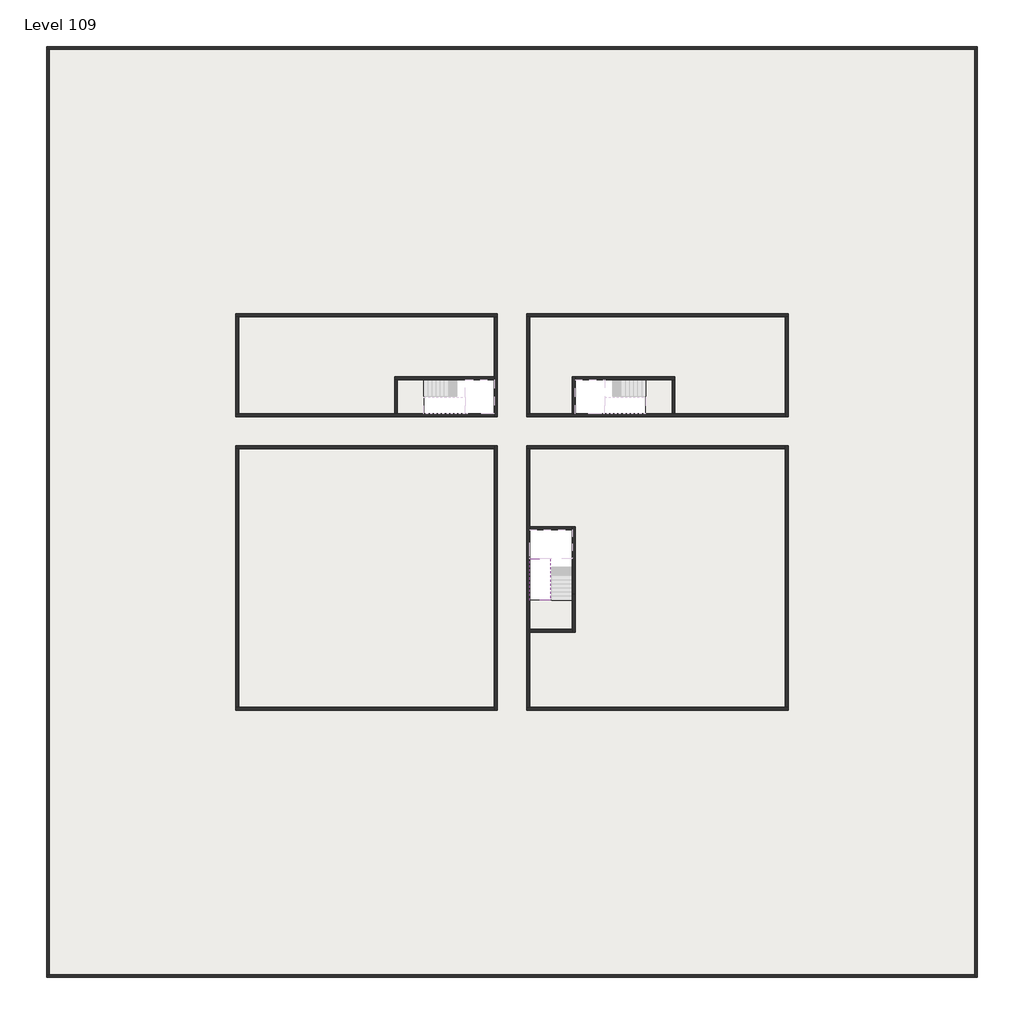
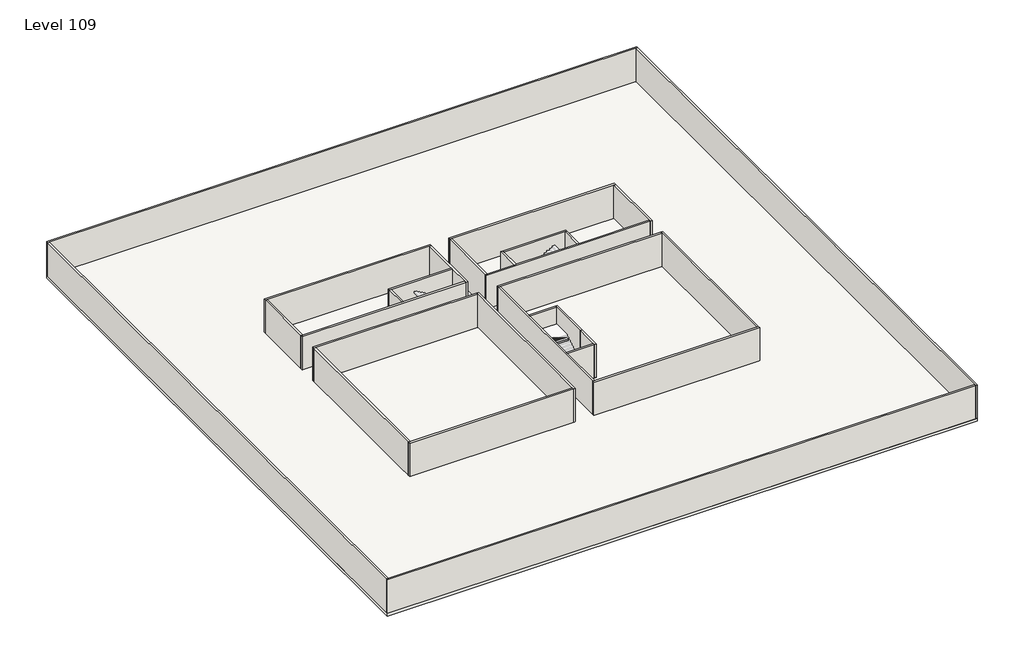
# One storey, part 1 of 2: 29 walls, 2 slabs, 1 stair flight.
"""IFC4 building model written with IfcOpenShell, lengths in millimetres."""

import ifcopenshell
import ifcopenshell.guid

model = None  # the IFC model being written
_history = None  # IfcOwnerHistory: only IFC2X3 demands one
_inside = {}  # id of a spatial element -> (the spatial element, [elements in it])
_under = {}  # id of a project, library or spatial element -> (it, [spatial elements below it])
_declared = {}  # id of a project -> (the project, [libraries it declares])
_typed = {}  # id of a type object -> (the type object, [elements of that type])
_made_of = {}  # id of a material, layer set ... -> (it, [elements and type objects made of it])


def new_model(schema):
    """Start an empty IFC model of exactly this schema.

    Asked for "IFC4X3", IfcOpenShell would pick the latest addendum, in which some entities
    have other attributes; the version numbers below select the first issue.
    IFC2X3 requires an IfcOwnerHistory on every rooted entity: one is made here for all.
    """
    global model, _history
    if schema == "IFC4X3":
        model = ifcopenshell.file(schema_version=(4, 3, 0, 0))
    else:
        model = ifcopenshell.file(schema=schema)
    _inside.clear()
    _under.clear()
    _declared.clear()
    _typed.clear()
    _made_of.clear()
    _history = None
    if model.schema == "IFC2X3":
        org = make("IfcOrganization", Name="unknown")
        user = make(
            "IfcPersonAndOrganization",
            ThePerson=make("IfcPerson", FamilyName="unknown"),
            TheOrganization=org,
        )
        app = make(
            "IfcApplication",
            ApplicationDeveloper=org,
            Version="unknown",
            ApplicationFullName="unknown",
            ApplicationIdentifier="unknown",
        )
        _history = make(
            "IfcOwnerHistory",
            OwningUser=user,
            OwningApplication=app,
            ChangeAction="ADDED",
            CreationDate=0,
        )
    return model


def make(cls, **values):
    """One entity of the class cls with the attributes given. An attribute that is None is left unset."""
    return model.create_entity(
        cls, **{name: value for name, value in values.items() if value is not None}
    )


def rooted(cls, **values):
    """An entity with a GlobalId (a new one), such as an element, a storey or a relation."""
    return make(cls, GlobalId=ifcopenshell.guid.new(), OwnerHistory=_history, **values)


def si_unit(unit_type, name, prefix=None):
    """IfcSIUnit, for example si_unit("LENGTHUNIT", "METRE", prefix="MILLI")."""
    return make("IfcSIUnit", UnitType=unit_type, Prefix=prefix, Name=name)


def assignment(units):
    """IfcUnitAssignment: the units of a project."""
    return None if units is None else make("IfcUnitAssignment", Units=units)


def point(xyz):
    """IfcCartesianPoint."""
    return None if xyz is None else make("IfcCartesianPoint", Coordinates=xyz)


def direction(xyz):
    """IfcDirection."""
    return None if xyz is None else make("IfcDirection", DirectionRatios=xyz)


def frame(location, z_axis=None, x_axis=None):
    """IfcAxis2Placement3D, a coordinate frame: its origin and axes. An axis left out is left unset."""
    return make(
        "IfcAxis2Placement3D",
        Location=point(location),
        Axis=direction(z_axis),
        RefDirection=direction(x_axis),
    )


def origin():
    """The frame at (0, 0, 0) with its axes left unset."""
    return frame((0.0, 0.0, 0.0))


def place(relative_to, where):
    """IfcLocalPlacement: puts the frame where relative to a parent placement (None: the world)."""
    return make(
        "IfcLocalPlacement", PlacementRelTo=relative_to, RelativePlacement=where
    )


def context(
    kind, dimensions, precision=None, world=None, true_north=None, identifier=None
):
    """IfcGeometricRepresentationContext, for example the 3D "Model" context."""
    return make(
        "IfcGeometricRepresentationContext",
        ContextIdentifier=identifier,
        ContextType=kind,
        CoordinateSpaceDimension=dimensions,
        Precision=precision,
        WorldCoordinateSystem=world,
        TrueNorth=true_north,
    )


def project(units=None, contexts=None):
    """IfcProject with its units and contexts."""
    return rooted(
        "IfcProject",
        Name="project",
        RepresentationContexts=contexts,
        UnitsInContext=assignment(units),
    )


def spatial(cls, under=None, at=None, **own):
    """A site, building, storey or space (cls), placed at a placement, below another one or the project."""
    s = rooted(cls, ObjectPlacement=at, **own)
    if under is not None:
        _under.setdefault(under.id(), (under, []))[1].append(s)
    return s


def polyline(points):
    """IfcPolyline through the points."""
    return make("IfcPolyline", Points=[point(p) for p in points])


def outline(outer, holes=None, kind="AREA"):
    """IfcArbitraryClosedProfileDef: a profile drawn as a closed curve; with holes, ...WithVoids."""
    if holes is None:
        return make("IfcArbitraryClosedProfileDef", ProfileType=kind, OuterCurve=outer)
    return make(
        "IfcArbitraryProfileDefWithVoids",
        ProfileType=kind,
        OuterCurve=outer,
        InnerCurves=holes,
    )


def extrude(swept, where, along, depth):
    """IfcExtrudedAreaSolid: the profile swept, set in the frame where, extruded along a direction by depth."""
    return make(
        "IfcExtrudedAreaSolid",
        SweptArea=swept,
        Position=where,
        ExtrudedDirection=direction(along),
        Depth=depth,
    )


def faces_of(points, faces, orient=None, outer=None):
    """IfcFace entities. A face is a list of loops; a loop is a list of indices into points, from 0.

    orient and outer hold one flag for each loop. By default every Orientation is true, the
    first loop of a face is its IfcFaceOuterBound and the others are IfcFaceBound.
    """
    made = []
    for i, loops in enumerate(faces):
        bounds = []
        for j, loop in enumerate(loops):
            is_outer = j == 0 if outer is None else outer[i][j]
            bounds.append(
                make(
                    "IfcFaceOuterBound" if is_outer else "IfcFaceBound",
                    Bound=make("IfcPolyLoop", Polygon=[points[k] for k in loop]),
                    Orientation=True if orient is None else orient[i][j],
                )
            )
        made.append(make("IfcFace", Bounds=bounds))
    return made


def faceted_brep(points, faces, orient=None, outer=None, voids=None):
    """IfcFacetedBrep: a solid bounded by flat faces; with voids (closed shells), ...WithVoids."""
    shared = [point(p) for p in points]
    hull = make("IfcClosedShell", CfsFaces=faces_of(shared, faces, orient, outer))
    if voids is None:
        return make("IfcFacetedBrep", Outer=hull)
    return make(
        "IfcFacetedBrepWithVoids",
        Outer=hull,
        Voids=[
            make(cls, CfsFaces=faces_of(shared, fs, o, b)) for cls, fs, o, b in voids
        ],
    )


def shape(context_of_items, identifier, shape_type, items):
    """IfcShapeRepresentation: the items that make up one representation, for example the "Body"."""
    return make(
        "IfcShapeRepresentation",
        ContextOfItems=context_of_items,
        RepresentationIdentifier=identifier,
        RepresentationType=shape_type,
        Items=items,
    )


def made_of(thing, what):
    """Note that an element or type object is made of a material, layer set ...; save() writes the relation."""
    if what is not None:
        _made_of.setdefault(what.id(), (what, []))[1].append(thing)
    return thing


def element(
    cls,
    number,
    at=None,
    inside=None,
    cuts=None,
    type_object=None,
    material=None,
    context=None,
    identifier="Body",
    shape_type=None,
    held_by="IfcProductDefinitionShape",
    body=None,
    shapes=None,
    **own,
):
    """One element of the class cls, such as IfcWall. Its Tag is "e" and its number.

    at: its placement. inside: the storey or other place that contains it. cuts: it is an
    opening in that element (IfcRelVoidsElement). A single representation is given by context,
    identifier, shape_type and body (its items); several are given by shapes. held_by: the class
    of the entity that holds the representations. save() writes the other relations.
    """
    e = rooted(cls, Tag="e%d" % number, ObjectPlacement=at, **own)
    if body is not None:
        shapes = [shape(context, identifier, shape_type, body)]
    if shapes is not None:
        e.Representation = make(held_by, Representations=shapes)
    if inside is not None:
        _inside.setdefault(inside.id(), (inside, []))[1].append(e)
    if cuts is not None:
        rooted(
            "IfcRelVoidsElement", RelatingBuildingElement=cuts, RelatedOpeningElement=e
        )
    if type_object is not None:
        _typed.setdefault(type_object.id(), (type_object, []))[1].append(e)
    return made_of(e, material)


def aggregate(whole, parts):
    """IfcRelAggregates: a whole, such as a stair, and the parts it consists of."""
    return rooted("IfcRelAggregates", RelatingObject=whole, RelatedObjects=parts)


def save(model, path):
    """Write the relations noted so far, then the file.

    IfcRelAggregates (storeys below a building ...), IfcRelContainedInSpatialStructure (elements
    in a storey), IfcRelDefinesByType, IfcRelAssociatesMaterial and IfcRelDeclares: one each for
    every whole, place, type object, material and project.
    """
    for whole, parts in _under.values():
        aggregate(whole, parts)
    for where, things in _inside.values():
        rooted(
            "IfcRelContainedInSpatialStructure",
            RelatedElements=things,
            RelatingStructure=where,
        )
    for kind, things in _typed.values():
        rooted("IfcRelDefinesByType", RelatedObjects=things, RelatingType=kind)
    for what, things in _made_of.values():
        rooted("IfcRelAssociatesMaterial", RelatedObjects=things, RelatingMaterial=what)
    for by, libraries in _declared.values():
        rooted("IfcRelDeclares", RelatingContext=by, RelatedDefinitions=libraries)
    model.write(path)


model = new_model("IFC4")

# Units and contexts
model_context = context("Model", 3, world=origin())
ifc_project = project(units=[si_unit("LENGTHUNIT", "METRE", prefix="MILLI")], contexts=[model_context])

# Site, building, storey
site = spatial("IfcSite", under=ifc_project)
building = spatial("IfcBuilding", under=site)
storey = spatial("IfcBuildingStorey", under=building, Name="Level 109", Elevation=410400.0)

# Slabs
placement = place(None, origin())
element("IfcSlab", 1, at=placement, inside=storey, context=model_context, shape_type="SweptSolid", body=[
    extrude(outline(polyline([(16190.1058784, -28218.09644), (18190.1058784, -28218.09644), (18190.1058784, -30518.09644), (16190.1058784, -30518.09644), (16190.1058784, -28218.09644)])), frame((0.0, 0.0, 410100.0), z_axis=(0.0, 0.0, 1.0), x_axis=(1.0, 0.0, 0.0)), (0.0, 0.0, 1.0), 300.0),
    extrude(outline(polyline([(28490.1058784, -43218.09644), (28490.1058784, -45418.09644), (25390.1058784, -45418.09644), (25390.1058784, -43218.09644), (28490.1058784, -43218.09644)])), frame((0.0, 0.0, 410100.0), z_axis=(0.0, 0.0, 1.0), x_axis=(1.0, 0.0, 0.0)), (0.0, 0.0, 1.0), 300.0),
    extrude(outline(polyline([(33290.1058784, -30518.09644), (33290.1058784, -28018.09644), (35290.1058784, -28018.09644), (35290.1058784, -30518.09644), (33290.1058784, -30518.09644)])), frame((0.0, 0.0, 410100.0), z_axis=(0.0, 0.0, 1.0), x_axis=(1.0, 0.0, 0.0)), (0.0, 0.0, 1.0), 300.0),
])
element("IfcSlab", 2, at=placement, inside=storey, context=model_context, shape_type="SweptSolid", body=[
    extrude(outline(polyline([(55890.1058784, -5518.09644), (55890.1058784, -68918.09644), (-7509.8941216, -68918.09644), (-7509.8941216, -5518.09644), (55890.1058784, -5518.09644)]), holes=[polyline([(25390.1058784, -45418.09644), (28490.1058784, -45418.09644), (28490.1058784, -38218.09644), (25390.1058784, -38218.09644), (25390.1058784, -45418.09644)]), polyline([(16190.1058784, -28018.09644), (16190.1058784, -30518.09644), (22990.1058784, -30518.09644), (22990.1058784, -28018.09644), (16190.1058784, -28018.09644)]), polyline([(28490.1058784, -28018.09644), (28490.1058784, -30518.09644), (35290.1058784, -30518.09644), (35290.1058784, -28018.09644), (28490.1058784, -28018.09644)])]), frame((0.0, 0.0, 410100.0), z_axis=(0.0, 0.0, 1.0), x_axis=(1.0, 0.0, 0.0)), (0.0, 0.0, 1.0), 300.0),
])

# Stair flight
element("IfcStairFlight", 3, at=placement, inside=storey, context=model_context, shape_type="Brep", body=[
    faceted_brep([(26790.1058784, -40698.09644, 412472.7272727), (26790.1058784, -40418.09644, 412472.7272727), (25390.1058784, -40418.09644, 412472.7272727), (25390.1058784, -40698.09644, 412472.7272727), (26790.1058784, -40698.09644, 412296.4823932), (26790.1058784, -40418.09644, 412123.7551205), (25390.1058784, -40418.09644, 412123.7551205), (25390.1058784, -40418.09644, 412300.0), (25390.1058784, -40698.09644, 412296.4823932), (26790.1058784, -40978.09644, 412645.4545455), (26790.1058784, -40698.09644, 412645.4545455), (25390.1058784, -40698.09644, 412645.4545455), (25390.1058784, -40978.09644, 412645.4545455), (26790.1058784, -40978.09644, 412469.209666), (25390.1058784, -40978.09644, 412469.209666), (26790.1058784, -41258.09644, 412818.1818182), (26790.1058784, -40978.09644, 412818.1818182), (25390.1058784, -40978.09644, 412818.1818182), (25390.1058784, -41258.09644, 412818.1818182), (26790.1058784, -41258.09644, 412641.9369387), (25390.1058784, -41258.09644, 412641.9369387), (26790.1058784, -41538.09644, 412990.9090909), (26790.1058784, -41258.09644, 412990.9090909), (25390.1058784, -41258.09644, 412990.9090909), (25390.1058784, -41538.09644, 412990.9090909), (26790.1058784, -41538.09644, 412814.6642114), (25390.1058784, -41538.09644, 412814.6642114), (26790.1058784, -41818.09644, 413163.6363636), (26790.1058784, -41538.09644, 413163.6363636), (25390.1058784, -41538.09644, 413163.6363636), (25390.1058784, -41818.09644, 413163.6363636), (26790.1058784, -41818.09644, 412987.3914841), (25390.1058784, -41818.09644, 412987.3914841), (26790.1058784, -42098.09644, 413336.3636364), (26790.1058784, -41818.09644, 413336.3636364), (25390.1058784, -41818.09644, 413336.3636364), (25390.1058784, -42098.09644, 413336.3636364), (26790.1058784, -42098.09644, 413160.1187569), (25390.1058784, -42098.09644, 413160.1187569), (26790.1058784, -42378.09644, 413509.0909091), (26790.1058784, -42098.09644, 413509.0909091), (25390.1058784, -42098.09644, 413509.0909091), (25390.1058784, -42378.09644, 413509.0909091), (26790.1058784, -42378.09644, 413332.8460296), (25390.1058784, -42378.09644, 413332.8460296), (26790.1058784, -42658.09644, 413681.8181818), (26790.1058784, -42378.09644, 413681.8181818), (25390.1058784, -42378.09644, 413681.8181818), (25390.1058784, -42658.09644, 413681.8181818), (26790.1058784, -42658.09644, 413505.5733023), (25390.1058784, -42658.09644, 413505.5733023), (26790.1058784, -42938.09644, 413854.5454545), (26790.1058784, -42658.09644, 413854.5454545), (25390.1058784, -42658.09644, 413854.5454545), (25390.1058784, -42938.09644, 413854.5454545), (26790.1058784, -42938.09644, 413678.3005751), (25390.1058784, -42938.09644, 413678.3005751), (26790.1058784, -43218.09644, 414027.2727273), (26790.1058784, -42938.09644, 414027.2727273), (25390.1058784, -42938.09644, 414027.2727273), (25390.1058784, -43218.09644, 414027.2727273), (26790.1058784, -43218.09644, 413851.0278478), (25390.1058784, -43218.09644, 413851.0278478)], [[[0, 1, 2, 3]], [[1, 0, 4, 5]], [[2, 1, 5, 6, 7]], [[3, 2, 7, 6, 8]], [[9, 10, 11, 12]], [[10, 9, 13, 4, 0]], [[11, 10, 0, 3]], [[12, 11, 3, 8, 14]], [[15, 16, 17, 18]], [[16, 15, 19, 13, 9]], [[17, 16, 9, 12]], [[18, 17, 12, 14, 20]], [[21, 22, 23, 24]], [[22, 21, 25, 19, 15]], [[23, 22, 15, 18]], [[24, 23, 18, 20, 26]], [[27, 28, 29, 30]], [[28, 27, 31, 25, 21]], [[29, 28, 21, 24]], [[30, 29, 24, 26, 32]], [[33, 34, 35, 36]], [[34, 33, 37, 31, 27]], [[35, 34, 27, 30]], [[36, 35, 30, 32, 38]], [[39, 40, 41, 42]], [[40, 39, 43, 37, 33]], [[41, 40, 33, 36]], [[42, 41, 36, 38, 44]], [[45, 46, 47, 48]], [[46, 45, 49, 43, 39]], [[47, 46, 39, 42]], [[48, 47, 42, 44, 50]], [[51, 52, 53, 54]], [[52, 51, 55, 49, 45]], [[53, 52, 45, 48]], [[54, 53, 48, 50, 56]], [[57, 58, 59, 60]], [[58, 57, 61, 55, 51]], [[59, 58, 51, 54]], [[60, 59, 54, 56, 62]], [[57, 60, 62, 61]], [[5, 4, 13, 19, 25, 31, 37, 43, 49, 55, 61, 62, 56, 50, 44, 38, 32, 26, 20, 14, 8, 6]]]),
])

# Walls
element("IfcWall", 4, at=placement, inside=storey, context=model_context, shape_type="Brep", body=[
    faceted_brep([(-7509.8941216, -5718.09644, 410400.0), (-7309.8941216, -5718.09644, 410400.0), (55690.1058784, -5718.09644, 410400.0), (55890.1058784, -5718.09644, 410400.0), (55890.1058784, -5718.09644, 414200.0), (55690.1058784, -5718.09644, 414200.0), (-7309.8941216, -5718.09644, 414200.0), (-7509.8941216, -5718.09644, 414200.0), (-7509.8941216, -5518.09644, 410400.0), (-7509.8941216, -5518.09644, 414200.0), (55890.1058784, -5518.09644, 414200.0), (55890.1058784, -5518.09644, 410400.0)], [[[0, 1, 2, 3, 4, 5, 6, 7]], [[8, 9, 10, 11]], [[3, 2, 1, 0, 8, 11]], [[7, 6, 5, 4, 10, 9]], [[4, 3, 11, 10]], [[0, 7, 9, 8]]]),
])
element("IfcWall", 5, at=placement, inside=storey, context=model_context, shape_type="Brep", body=[
    faceted_brep([(55690.1058784, -5718.09644, 410400.0), (55690.1058784, -68718.09644, 410400.0), (55690.1058784, -68918.09644, 410400.0), (55690.1058784, -68918.09644, 414200.0), (55690.1058784, -68718.09644, 414200.0), (55690.1058784, -5718.09644, 414200.0), (55890.1058784, -5718.09644, 410400.0), (55890.1058784, -5718.09644, 414200.0), (55890.1058784, -68918.09644, 414200.0), (55890.1058784, -68918.09644, 410400.0)], [[[0, 1, 2, 3, 4, 5]], [[6, 7, 8, 9]], [[2, 1, 0, 6, 9]], [[5, 4, 3, 8, 7]], [[0, 5, 7, 6]], [[3, 2, 9, 8]]]),
])
element("IfcWall", 6, at=placement, inside=storey, context=model_context, shape_type="Brep", body=[
    faceted_brep([(55690.1058784, -68718.09644, 410400.0), (-7309.8941216, -68718.09644, 410400.0), (-7509.8941216, -68718.09644, 410400.0), (-7509.8941216, -68718.09644, 414200.0), (-7309.8941216, -68718.09644, 414200.0), (55690.1058784, -68718.09644, 414200.0), (55690.1058784, -68918.09644, 410400.0), (55690.1058784, -68918.09644, 414200.0), (-7509.8941216, -68918.09644, 414200.0), (-7509.8941216, -68918.09644, 410400.0)], [[[0, 1, 2, 3, 4, 5]], [[6, 7, 8, 9]], [[2, 1, 0, 6, 9]], [[5, 4, 3, 8, 7]], [[0, 5, 7, 6]], [[3, 2, 9, 8]]]),
])
element("IfcWall", 7, at=placement, inside=storey, context=model_context, shape_type="SweptSolid", body=[
    extrude(outline(polyline([(-7309.8941216, -5718.09644), (-7309.8941216, -68718.09644), (-7509.8941216, -68718.09644), (-7509.8941216, -5718.09644), (-7309.8941216, -5718.09644)])), frame((0.0, 0.0, 410400.0), z_axis=(0.0, 0.0, 1.0), x_axis=(1.0, 0.0, 0.0)), (0.0, 0.0, 1.0), 3800.0),
])
element("IfcWall", 8, at=placement, inside=storey, context=model_context, shape_type="Brep", body=[
    faceted_brep([(5390.1058784, -23918.09644, 410400.0), (5590.1058784, -23918.09644, 410400.0), (22990.1058784, -23918.09644, 410400.0), (23190.1058784, -23918.09644, 410400.0), (23190.1058784, -23918.09644, 414200.0), (22990.1058784, -23918.09644, 414200.0), (5590.1058784, -23918.09644, 414200.0), (5390.1058784, -23918.09644, 414200.0), (5390.1058784, -23718.09644, 410400.0), (5390.1058784, -23718.09644, 414200.0), (23190.1058784, -23718.09644, 414200.0), (23190.1058784, -23718.09644, 410400.0)], [[[0, 1, 2, 3, 4, 5, 6, 7]], [[8, 9, 10, 11]], [[3, 2, 1, 0, 8, 11]], [[7, 6, 5, 4, 10, 9]], [[4, 3, 11, 10]], [[0, 7, 9, 8]]]),
])
element("IfcWall", 9, at=placement, inside=storey, context=model_context, shape_type="Brep", body=[
    faceted_brep([(22990.1058784, -23918.09644, 410400.0), (22990.1058784, -28018.09644, 410400.0), (22990.1058784, -28218.09644, 410400.0), (22990.1058784, -30518.09644, 410400.0), (22990.1058784, -30718.09644, 410400.0), (22990.1058784, -30718.09644, 414200.0), (22990.1058784, -30518.09644, 414200.0), (22990.1058784, -28218.09644, 414200.0), (22990.1058784, -28018.09644, 414200.0), (22990.1058784, -23918.09644, 414200.0), (23190.1058784, -23918.09644, 410400.0), (23190.1058784, -23918.09644, 414200.0), (23190.1058784, -30718.09644, 414200.0), (23190.1058784, -30718.09644, 410400.0)], [[[0, 1, 2, 3, 4, 5, 6, 7, 8, 9]], [[10, 11, 12, 13]], [[4, 3, 2, 1, 0, 10, 13]], [[9, 8, 7, 6, 5, 12, 11]], [[0, 9, 11, 10]], [[5, 4, 13, 12]]]),
])
element("IfcWall", 10, at=placement, inside=storey, context=model_context, shape_type="Brep", body=[
    faceted_brep([(25190.1058784, -32918.09644, 410400.0), (25190.1058784, -50518.09644, 410400.0), (25190.1058784, -50518.09644, 414200.0), (25190.1058784, -32918.09644, 414200.0), (25390.1058784, -32918.09644, 410400.0), (25390.1058784, -32918.09644, 414200.0), (25390.1058784, -38218.09644, 414200.0), (25390.1058784, -38418.09644, 414200.0), (25390.1058784, -45218.09644, 414200.0), (25390.1058784, -45418.09644, 414200.0), (25390.1058784, -50518.09644, 414200.0), (25390.1058784, -50518.09644, 410400.0), (25390.1058784, -45418.09644, 410400.0), (25390.1058784, -45218.09644, 410400.0), (25390.1058784, -38418.09644, 410400.0), (25390.1058784, -38218.09644, 410400.0)], [[[0, 1, 2, 3]], [[4, 5, 6, 7, 8, 9, 10, 11, 12, 13, 14, 15]], [[1, 0, 4, 15, 14, 13, 12, 11]], [[3, 2, 10, 9, 8, 7, 6, 5]], [[0, 3, 5, 4]], [[2, 1, 11, 10]]]),
])
element("IfcWall", 11, at=placement, inside=storey, context=model_context, shape_type="Brep", body=[
    faceted_brep([(22990.1058784, -32718.09644, 410400.0), (22990.1058784, -32918.09644, 410400.0), (22990.1058784, -50518.09644, 410400.0), (22990.1058784, -50718.09644, 410400.0), (22990.1058784, -50718.09644, 414200.0), (22990.1058784, -50518.09644, 414200.0), (22990.1058784, -32918.09644, 414200.0), (22990.1058784, -32718.09644, 414200.0), (23190.1058784, -32718.09644, 410400.0), (23190.1058784, -32718.09644, 414200.0), (23190.1058784, -50718.09644, 414200.0), (23190.1058784, -50718.09644, 410400.0)], [[[0, 1, 2, 3, 4, 5, 6, 7]], [[8, 9, 10, 11]], [[3, 2, 1, 0, 8, 11]], [[7, 6, 5, 4, 10, 9]], [[4, 3, 11, 10]], [[0, 7, 9, 8]]]),
])
element("IfcWall", 12, at=placement, inside=storey, context=model_context, shape_type="Brep", body=[
    faceted_brep([(22990.1058784, -50518.09644, 410400.0), (5590.1058784, -50518.09644, 410400.0), (5390.1058784, -50518.09644, 410400.0), (5390.1058784, -50518.09644, 414200.0), (5590.1058784, -50518.09644, 414200.0), (22990.1058784, -50518.09644, 414200.0), (22990.1058784, -50718.09644, 410400.0), (22990.1058784, -50718.09644, 414200.0), (5390.1058784, -50718.09644, 414200.0), (5390.1058784, -50718.09644, 410400.0)], [[[0, 1, 2, 3, 4, 5]], [[6, 7, 8, 9]], [[2, 1, 0, 6, 9]], [[5, 4, 3, 8, 7]], [[0, 5, 7, 6]], [[3, 2, 9, 8]]]),
])
element("IfcWall", 13, at=placement, inside=storey, context=model_context, shape_type="Brep", body=[
    faceted_brep([(28290.1058784, -42818.09644, 410400.0), (28290.1058784, -45218.09644, 410400.0), (28290.1058784, -45418.09644, 410400.0), (28290.1058784, -45418.09644, 414200.0), (28290.1058784, -45218.09644, 414200.0), (28290.1058784, -42818.09644, 414200.0), (28490.1058784, -42818.09644, 410400.0), (28490.1058784, -42818.09644, 414200.0), (28490.1058784, -45418.09644, 414200.0), (28490.1058784, -45418.09644, 410400.0)], [[[0, 1, 2, 3, 4, 5]], [[6, 7, 8, 9]], [[2, 1, 0, 6, 9]], [[5, 4, 3, 8, 7]], [[0, 5, 7, 6]], [[3, 2, 9, 8]]]),
])
element("IfcWall", 14, at=placement, inside=storey, context=model_context, shape_type="SweptSolid", body=[
    extrude(outline(polyline([(5390.1058784, -30518.09644), (5390.1058784, -23918.09644), (5590.1058784, -23918.09644), (5590.1058784, -30518.09644), (5390.1058784, -30518.09644)])), frame((0.0, 0.0, 410400.0), z_axis=(0.0, 0.0, 1.0), x_axis=(1.0, 0.0, 0.0)), (0.0, 0.0, 1.0), 3800.0),
])
element("IfcWall", 15, at=placement, inside=storey, context=model_context, shape_type="Brep", body=[
    faceted_brep([(5390.1058784, -30718.09644, 410400.0), (22990.1058784, -30718.09644, 410400.0), (22990.1058784, -30718.09644, 414200.0), (5390.1058784, -30718.09644, 414200.0), (5390.1058784, -30518.09644, 410400.0), (5390.1058784, -30518.09644, 414200.0), (5590.1058784, -30518.09644, 414200.0), (16190.1058784, -30518.09644, 414200.0), (16390.1058784, -30518.09644, 414200.0), (22990.1058784, -30518.09644, 414200.0), (22990.1058784, -30518.09644, 410400.0), (16390.1058784, -30518.09644, 410400.0), (16190.1058784, -30518.09644, 410400.0), (5590.1058784, -30518.09644, 410400.0)], [[[0, 1, 2, 3]], [[4, 5, 6, 7, 8, 9, 10, 11, 12, 13]], [[1, 0, 4, 13, 12, 11, 10]], [[3, 2, 9, 8, 7, 6, 5]], [[0, 3, 5, 4]], [[2, 1, 10, 9]]]),
])
element("IfcWall", 16, at=placement, inside=storey, context=model_context, shape_type="Brep", body=[
    faceted_brep([(28490.1058784, -42818.09644, 410400.0), (28490.1058784, -38218.09644, 410400.0), (28490.1058784, -38218.09644, 414200.0), (28490.1058784, -42818.09644, 414200.0), (28290.1058784, -42818.09644, 410400.0), (28290.1058784, -42818.09644, 414200.0), (28290.1058784, -38418.09644, 414200.0), (28290.1058784, -38218.09644, 414200.0), (28290.1058784, -38218.09644, 410400.0), (28290.1058784, -38418.09644, 410400.0)], [[[0, 1, 2, 3]], [[4, 5, 6, 7, 8, 9]], [[1, 0, 4, 9, 8]], [[3, 2, 7, 6, 5]], [[0, 3, 5, 4]], [[2, 1, 8, 7]]]),
])
element("IfcWall", 17, at=placement, inside=storey, context=model_context, shape_type="SweptSolid", body=[
    extrude(outline(polyline([(25390.1058784, -38218.09644), (28290.1058784, -38218.09644), (28290.1058784, -38418.09644), (25390.1058784, -38418.09644), (25390.1058784, -38218.09644)])), frame((0.0, 0.0, 410400.0), z_axis=(0.0, 0.0, 1.0), x_axis=(1.0, 0.0, 0.0)), (0.0, 0.0, 1.0), 3800.0),
])
element("IfcWall", 18, at=placement, inside=storey, context=model_context, shape_type="SweptSolid", body=[
    extrude(outline(polyline([(28290.1058784, -45418.09644), (25390.1058784, -45418.09644), (25390.1058784, -45218.09644), (28290.1058784, -45218.09644), (28290.1058784, -45418.09644)])), frame((0.0, 0.0, 410400.0), z_axis=(0.0, 0.0, 1.0), x_axis=(1.0, 0.0, 0.0)), (0.0, 0.0, 1.0), 3800.0),
])
element("IfcWall", 19, at=placement, inside=storey, context=model_context, shape_type="Brep", body=[
    faceted_brep([(5390.1058784, -32918.09644, 410400.0), (5590.1058784, -32918.09644, 410400.0), (22990.1058784, -32918.09644, 410400.0), (22990.1058784, -32918.09644, 414200.0), (5590.1058784, -32918.09644, 414200.0), (5390.1058784, -32918.09644, 414200.0), (5390.1058784, -32718.09644, 410400.0), (5390.1058784, -32718.09644, 414200.0), (22990.1058784, -32718.09644, 414200.0), (22990.1058784, -32718.09644, 410400.0)], [[[0, 1, 2, 3, 4, 5]], [[6, 7, 8, 9]], [[2, 1, 0, 6, 9]], [[5, 4, 3, 8, 7]], [[3, 2, 9, 8]], [[0, 5, 7, 6]]]),
])
element("IfcWall", 20, at=placement, inside=storey, context=model_context, shape_type="SweptSolid", body=[
    extrude(outline(polyline([(5390.1058784, -50518.09644), (5390.1058784, -32918.09644), (5590.1058784, -32918.09644), (5590.1058784, -50518.09644), (5390.1058784, -50518.09644)])), frame((0.0, 0.0, 410400.0), z_axis=(0.0, 0.0, 1.0), x_axis=(1.0, 0.0, 0.0)), (0.0, 0.0, 1.0), 3800.0),
])
element("IfcWall", 21, at=placement, inside=storey, context=model_context, shape_type="Brep", body=[
    faceted_brep([(25190.1058784, -50718.09644, 410400.0), (42990.1058784, -50718.09644, 410400.0), (42990.1058784, -50718.09644, 414200.0), (25190.1058784, -50718.09644, 414200.0), (25190.1058784, -50518.09644, 410400.0), (25190.1058784, -50518.09644, 414200.0), (25390.1058784, -50518.09644, 414200.0), (42790.1058784, -50518.09644, 414200.0), (42990.1058784, -50518.09644, 414200.0), (42990.1058784, -50518.09644, 410400.0), (42790.1058784, -50518.09644, 410400.0), (25390.1058784, -50518.09644, 410400.0)], [[[0, 1, 2, 3]], [[4, 5, 6, 7, 8, 9, 10, 11]], [[1, 0, 4, 11, 10, 9]], [[3, 2, 8, 7, 6, 5]], [[2, 1, 9, 8]], [[0, 3, 5, 4]]]),
])
element("IfcWall", 22, at=placement, inside=storey, context=model_context, shape_type="Brep", body=[
    faceted_brep([(42990.1058784, -50518.09644, 410400.0), (42990.1058784, -32718.09644, 410400.0), (42990.1058784, -32718.09644, 414200.0), (42990.1058784, -50518.09644, 414200.0), (42790.1058784, -50518.09644, 410400.0), (42790.1058784, -50518.09644, 414200.0), (42790.1058784, -32918.09644, 414200.0), (42790.1058784, -32718.09644, 414200.0), (42790.1058784, -32718.09644, 410400.0), (42790.1058784, -32918.09644, 410400.0)], [[[0, 1, 2, 3]], [[4, 5, 6, 7, 8, 9]], [[1, 0, 4, 9, 8]], [[3, 2, 7, 6, 5]], [[0, 3, 5, 4]], [[2, 1, 8, 7]]]),
])
element("IfcWall", 23, at=placement, inside=storey, context=model_context, shape_type="Brep", body=[
    faceted_brep([(42790.1058784, -32718.09644, 410400.0), (25190.1058784, -32718.09644, 410400.0), (25190.1058784, -32718.09644, 414200.0), (42790.1058784, -32718.09644, 414200.0), (42790.1058784, -32918.09644, 410400.0), (42790.1058784, -32918.09644, 414200.0), (25390.1058784, -32918.09644, 414200.0), (25190.1058784, -32918.09644, 414200.0), (25190.1058784, -32918.09644, 410400.0), (25390.1058784, -32918.09644, 410400.0)], [[[0, 1, 2, 3]], [[4, 5, 6, 7, 8, 9]], [[1, 0, 4, 9, 8]], [[3, 2, 7, 6, 5]], [[0, 3, 5, 4]], [[2, 1, 8, 7]]]),
])
element("IfcWall", 24, at=placement, inside=storey, context=model_context, shape_type="Brep", body=[
    faceted_brep([(25190.1058784, -23918.09644, 410400.0), (25390.1058784, -23918.09644, 410400.0), (42790.1058784, -23918.09644, 410400.0), (42990.1058784, -23918.09644, 410400.0), (42990.1058784, -23918.09644, 414200.0), (42790.1058784, -23918.09644, 414200.0), (25390.1058784, -23918.09644, 414200.0), (25190.1058784, -23918.09644, 414200.0), (25190.1058784, -23718.09644, 410400.0), (25190.1058784, -23718.09644, 414200.0), (42990.1058784, -23718.09644, 414200.0), (42990.1058784, -23718.09644, 410400.0)], [[[0, 1, 2, 3, 4, 5, 6, 7]], [[8, 9, 10, 11]], [[3, 2, 1, 0, 8, 11]], [[7, 6, 5, 4, 10, 9]], [[0, 7, 9, 8]], [[4, 3, 11, 10]]]),
])
element("IfcWall", 25, at=placement, inside=storey, context=model_context, shape_type="Brep", body=[
    faceted_brep([(42790.1058784, -23918.09644, 410400.0), (42790.1058784, -30518.09644, 410400.0), (42790.1058784, -30718.09644, 410400.0), (42790.1058784, -30718.09644, 414200.0), (42790.1058784, -30518.09644, 414200.0), (42790.1058784, -23918.09644, 414200.0), (42990.1058784, -23918.09644, 410400.0), (42990.1058784, -23918.09644, 414200.0), (42990.1058784, -30718.09644, 414200.0), (42990.1058784, -30718.09644, 410400.0)], [[[0, 1, 2, 3, 4, 5]], [[6, 7, 8, 9]], [[2, 1, 0, 6, 9]], [[5, 4, 3, 8, 7]], [[0, 5, 7, 6]], [[3, 2, 9, 8]]]),
])
element("IfcWall", 26, at=placement, inside=storey, context=model_context, shape_type="Brep", body=[
    faceted_brep([(42790.1058784, -30518.09644, 410400.0), (35290.1058784, -30518.09644, 410400.0), (35090.1058784, -30518.09644, 410400.0), (28490.1058784, -30518.09644, 410400.0), (28290.1058784, -30518.09644, 410400.0), (25390.1058784, -30518.09644, 410400.0), (25190.1058784, -30518.09644, 410400.0), (25190.1058784, -30518.09644, 414200.0), (25390.1058784, -30518.09644, 414200.0), (28290.1058784, -30518.09644, 414200.0), (28490.1058784, -30518.09644, 414200.0), (35090.1058784, -30518.09644, 414200.0), (35290.1058784, -30518.09644, 414200.0), (42790.1058784, -30518.09644, 414200.0), (42790.1058784, -30718.09644, 410400.0), (42790.1058784, -30718.09644, 414200.0), (25190.1058784, -30718.09644, 414200.0), (25190.1058784, -30718.09644, 410400.0)], [[[0, 1, 2, 3, 4, 5, 6, 7, 8, 9, 10, 11, 12, 13]], [[14, 15, 16, 17]], [[6, 5, 4, 3, 2, 1, 0, 14, 17]], [[13, 12, 11, 10, 9, 8, 7, 16, 15]], [[7, 6, 17, 16]], [[0, 13, 15, 14]]]),
])
element("IfcWall", 27, at=placement, inside=storey, context=model_context, shape_type="SweptSolid", body=[
    extrude(outline(polyline([(25390.1058784, -23918.09644), (25390.1058784, -30518.09644), (25190.1058784, -30518.09644), (25190.1058784, -23918.09644), (25390.1058784, -23918.09644)])), frame((0.0, 0.0, 410400.0), z_axis=(0.0, 0.0, 1.0), x_axis=(1.0, 0.0, 0.0)), (0.0, 0.0, 1.0), 3800.0),
])
element("IfcWall", 28, at=placement, inside=storey, context=model_context, shape_type="Brep", body=[
    faceted_brep([(28490.1058784, -30518.09644, 410400.0), (28490.1058784, -28218.09644, 410400.0), (28490.1058784, -28018.09644, 410400.0), (28490.1058784, -28018.09644, 414200.0), (28490.1058784, -28218.09644, 414200.0), (28490.1058784, -30518.09644, 414200.0), (28290.1058784, -30518.09644, 410400.0), (28290.1058784, -30518.09644, 414200.0), (28290.1058784, -28018.09644, 414200.0), (28290.1058784, -28018.09644, 410400.0)], [[[0, 1, 2, 3, 4, 5]], [[6, 7, 8, 9]], [[2, 1, 0, 6, 9]], [[5, 4, 3, 8, 7]], [[3, 2, 9, 8]], [[0, 5, 7, 6]]]),
])
element("IfcWall", 29, at=placement, inside=storey, context=model_context, shape_type="Brep", body=[
    faceted_brep([(28490.1058784, -28218.09644, 410400.0), (35090.1058784, -28218.09644, 410400.0), (35290.1058784, -28218.09644, 410400.0), (35290.1058784, -28218.09644, 414200.0), (35090.1058784, -28218.09644, 414200.0), (28490.1058784, -28218.09644, 414200.0), (28490.1058784, -28018.09644, 410400.0), (28490.1058784, -28018.09644, 414200.0), (35290.1058784, -28018.09644, 414200.0), (35290.1058784, -28018.09644, 410400.0)], [[[0, 1, 2, 3, 4, 5]], [[6, 7, 8, 9]], [[2, 1, 0, 6, 9]], [[5, 4, 3, 8, 7]], [[0, 5, 7, 6]], [[3, 2, 9, 8]]]),
])
element("IfcWall", 30, at=placement, inside=storey, context=model_context, shape_type="SweptSolid", body=[
    extrude(outline(polyline([(35090.1058784, -30518.09644), (35090.1058784, -28218.09644), (35290.1058784, -28218.09644), (35290.1058784, -30518.09644), (35090.1058784, -30518.09644)])), frame((0.0, 0.0, 410400.0), z_axis=(0.0, 0.0, 1.0), x_axis=(1.0, 0.0, 0.0)), (0.0, 0.0, 1.0), 3800.0),
])
element("IfcWall", 31, at=placement, inside=storey, context=model_context, shape_type="Brep", body=[
    faceted_brep([(22990.1058784, -28018.09644, 410400.0), (16190.1058784, -28018.09644, 410400.0), (16190.1058784, -28018.09644, 414200.0), (22990.1058784, -28018.09644, 414200.0), (22990.1058784, -28218.09644, 410400.0), (22990.1058784, -28218.09644, 414200.0), (16390.1058784, -28218.09644, 414200.0), (16190.1058784, -28218.09644, 414200.0), (16190.1058784, -28218.09644, 410400.0), (16390.1058784, -28218.09644, 410400.0)], [[[0, 1, 2, 3]], [[4, 5, 6, 7, 8, 9]], [[1, 0, 4, 9, 8]], [[3, 2, 7, 6, 5]], [[0, 3, 5, 4]], [[2, 1, 8, 7]]]),
])
element("IfcWall", 32, at=placement, inside=storey, context=model_context, shape_type="SweptSolid", body=[
    extrude(outline(polyline([(16190.1058784, -30518.09644), (16190.1058784, -28218.09644), (16390.1058784, -28218.09644), (16390.1058784, -30518.09644), (16190.1058784, -30518.09644)])), frame((0.0, 0.0, 410400.0), z_axis=(0.0, 0.0, 1.0), x_axis=(1.0, 0.0, 0.0)), (0.0, 0.0, 1.0), 3800.0),
])

save(model, "model.ifc")
